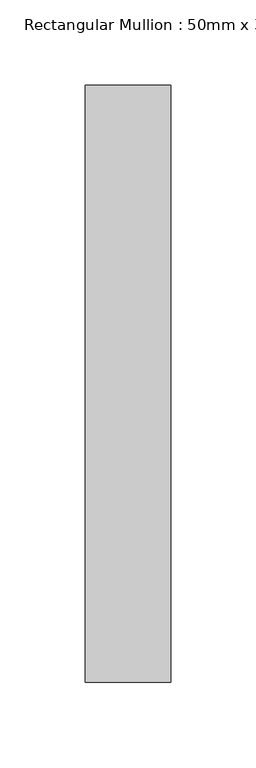
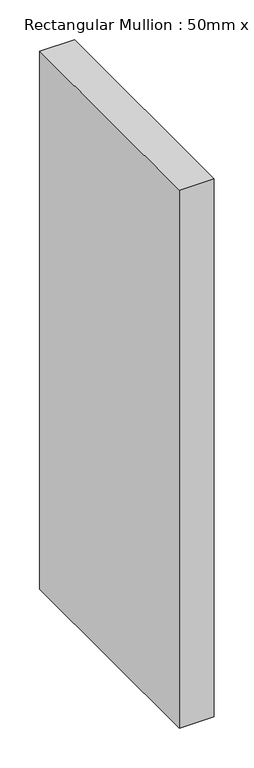
"""IFC4 building model written with IfcOpenShell, lengths in millimetres: member geometry, Rectangular Mullion : 50mm x 350mm."""

from ifc_helpers import new_model, si_unit, frame, origin, place, context, project, spatial, polyline, outline, extrude, source, transform, mapped, element, save


def rectangular_mullion_50mm_x_350mm_b6a392fe(model_context):
    return source(origin(), model_context, "Body", "SweptSolid", [
        extrude(outline(polyline([(0.0, 175.0), (0.0, -175.0), (-50.0, -175.0), (-50.0, 175.0), (0.0, 175.0)])), frame((0.0, 0.0, -821.6), z_axis=(0.0, 0.0, 1.0), x_axis=(1.0, 0.0, 0.0)), (0.0, 0.0, 1.0), 821.6),
    ])


if __name__ == "__main__":
    model = new_model("IFC4")
    model_context = context("Model", 3, world=origin())
    ifc_project = project(units=[si_unit("LENGTHUNIT", "METRE", prefix="MILLI")], contexts=[model_context])
    site = spatial("IfcSite", under=ifc_project)
    building = spatial("IfcBuilding", under=site)
    placement = place(None, origin())
    rectangular_mullion_50mm_x_350mm_shape = rectangular_mullion_50mm_x_350mm_b6a392fe(model_context)
    element("IfcMember", 1, ObjectType="Rectangular Mullion : 50mm x 350mm", at=placement, inside=building, context=model_context, shape_type="MappedRepresentation", body=[
        mapped(rectangular_mullion_50mm_x_350mm_shape, transform((0.0, 0.0, 0.0), x_axis=(1.0, 0.0, 0.0), y_axis=(0.0, 1.0, 0.0), z_axis=(0.0, 0.0, 1.0))),
    ])
    save(model, "model.ifc")
